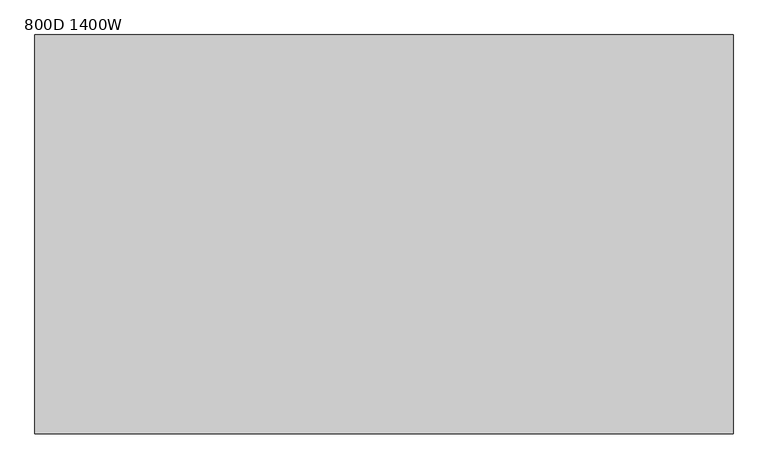
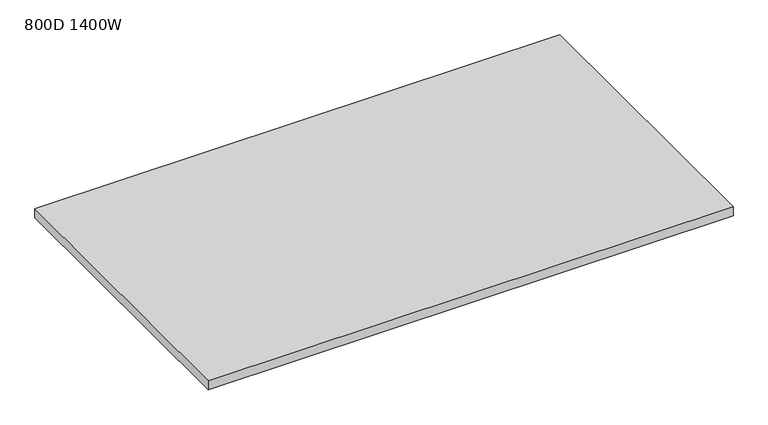
"""IFC4 building model written with IfcOpenShell, lengths in millimetres: furniture geometry, 800D 1400W."""

import ifcopenshell
import ifcopenshell.guid

model = None  # the IFC model being written
_history = None  # IfcOwnerHistory: only IFC2X3 demands one
_inside = {}  # id of a spatial element -> (the spatial element, [elements in it])
_under = {}  # id of a project, library or spatial element -> (it, [spatial elements below it])
_declared = {}  # id of a project -> (the project, [libraries it declares])
_typed = {}  # id of a type object -> (the type object, [elements of that type])
_made_of = {}  # id of a material, layer set ... -> (it, [elements and type objects made of it])


def new_model(schema):
    """Start an empty IFC model of exactly this schema.

    Asked for "IFC4X3", IfcOpenShell would pick the latest addendum, in which some entities
    have other attributes; the version numbers below select the first issue.
    IFC2X3 requires an IfcOwnerHistory on every rooted entity: one is made here for all.
    """
    global model, _history
    if schema == "IFC4X3":
        model = ifcopenshell.file(schema_version=(4, 3, 0, 0))
    else:
        model = ifcopenshell.file(schema=schema)
    _inside.clear()
    _under.clear()
    _declared.clear()
    _typed.clear()
    _made_of.clear()
    _history = None
    if model.schema == "IFC2X3":
        org = make("IfcOrganization", Name="unknown")
        user = make(
            "IfcPersonAndOrganization",
            ThePerson=make("IfcPerson", FamilyName="unknown"),
            TheOrganization=org,
        )
        app = make(
            "IfcApplication",
            ApplicationDeveloper=org,
            Version="unknown",
            ApplicationFullName="unknown",
            ApplicationIdentifier="unknown",
        )
        _history = make(
            "IfcOwnerHistory",
            OwningUser=user,
            OwningApplication=app,
            ChangeAction="ADDED",
            CreationDate=0,
        )
    return model


def make(cls, **values):
    """One entity of the class cls with the attributes given. An attribute that is None is left unset."""
    return model.create_entity(
        cls, **{name: value for name, value in values.items() if value is not None}
    )


def rooted(cls, **values):
    """An entity with a GlobalId (a new one), such as an element, a storey or a relation."""
    return make(cls, GlobalId=ifcopenshell.guid.new(), OwnerHistory=_history, **values)


def si_unit(unit_type, name, prefix=None):
    """IfcSIUnit, for example si_unit("LENGTHUNIT", "METRE", prefix="MILLI")."""
    return make("IfcSIUnit", UnitType=unit_type, Prefix=prefix, Name=name)


def assignment(units):
    """IfcUnitAssignment: the units of a project."""
    return None if units is None else make("IfcUnitAssignment", Units=units)


def point(xyz):
    """IfcCartesianPoint."""
    return None if xyz is None else make("IfcCartesianPoint", Coordinates=xyz)


def direction(xyz):
    """IfcDirection."""
    return None if xyz is None else make("IfcDirection", DirectionRatios=xyz)


def frame(location, z_axis=None, x_axis=None):
    """IfcAxis2Placement3D, a coordinate frame: its origin and axes. An axis left out is left unset."""
    return make(
        "IfcAxis2Placement3D",
        Location=point(location),
        Axis=direction(z_axis),
        RefDirection=direction(x_axis),
    )


def origin():
    """The frame at (0, 0, 0) with its axes left unset."""
    return frame((0.0, 0.0, 0.0))


def place(relative_to, where):
    """IfcLocalPlacement: puts the frame where relative to a parent placement (None: the world)."""
    return make(
        "IfcLocalPlacement", PlacementRelTo=relative_to, RelativePlacement=where
    )


def context(
    kind, dimensions, precision=None, world=None, true_north=None, identifier=None
):
    """IfcGeometricRepresentationContext, for example the 3D "Model" context."""
    return make(
        "IfcGeometricRepresentationContext",
        ContextIdentifier=identifier,
        ContextType=kind,
        CoordinateSpaceDimension=dimensions,
        Precision=precision,
        WorldCoordinateSystem=world,
        TrueNorth=true_north,
    )


def project(units=None, contexts=None):
    """IfcProject with its units and contexts."""
    return rooted(
        "IfcProject",
        Name="project",
        RepresentationContexts=contexts,
        UnitsInContext=assignment(units),
    )


def spatial(cls, under=None, at=None, **own):
    """A site, building, storey or space (cls), placed at a placement, below another one or the project."""
    s = rooted(cls, ObjectPlacement=at, **own)
    if under is not None:
        _under.setdefault(under.id(), (under, []))[1].append(s)
    return s


def polyline(points):
    """IfcPolyline through the points."""
    return make("IfcPolyline", Points=[point(p) for p in points])


def outline(outer, holes=None, kind="AREA"):
    """IfcArbitraryClosedProfileDef: a profile drawn as a closed curve; with holes, ...WithVoids."""
    if holes is None:
        return make("IfcArbitraryClosedProfileDef", ProfileType=kind, OuterCurve=outer)
    return make(
        "IfcArbitraryProfileDefWithVoids",
        ProfileType=kind,
        OuterCurve=outer,
        InnerCurves=holes,
    )


def extrude(swept, where, along, depth):
    """IfcExtrudedAreaSolid: the profile swept, set in the frame where, extruded along a direction by depth."""
    return make(
        "IfcExtrudedAreaSolid",
        SweptArea=swept,
        Position=where,
        ExtrudedDirection=direction(along),
        Depth=depth,
    )


def shape(context_of_items, identifier, shape_type, items):
    """IfcShapeRepresentation: the items that make up one representation, for example the "Body"."""
    return make(
        "IfcShapeRepresentation",
        ContextOfItems=context_of_items,
        RepresentationIdentifier=identifier,
        RepresentationType=shape_type,
        Items=items,
    )


def source(mapping_origin, context_of_items, identifier, shape_type, items):
    """IfcRepresentationMap: a shape defined once, which mapped items show again and again."""
    return make(
        "IfcRepresentationMap",
        MappingOrigin=mapping_origin,
        MappedRepresentation=shape(context_of_items, identifier, shape_type, items),
    )


def transform(
    local_origin,
    x_axis=None,
    y_axis=None,
    z_axis=None,
    scale=None,
    scale2=None,
    scale3=None,
    uniform=True,
):
    """IfcCartesianTransformationOperator3D, or its non-uniform kind. x_axis, y_axis, z_axis: its Axis1, 2, 3."""
    if uniform:
        return make(
            "IfcCartesianTransformationOperator3D",
            Axis1=direction(x_axis),
            Axis2=direction(y_axis),
            LocalOrigin=point(local_origin),
            Scale=scale,
            Axis3=direction(z_axis),
        )
    return make(
        "IfcCartesianTransformationOperator3DnonUniform",
        Axis1=direction(x_axis),
        Axis2=direction(y_axis),
        LocalOrigin=point(local_origin),
        Scale=scale,
        Axis3=direction(z_axis),
        Scale2=scale2,
        Scale3=scale3,
    )


def mapped(mapping_source, mapping_target):
    """IfcMappedItem: shows the shape of a source again, moved by a transform."""
    return make(
        "IfcMappedItem", MappingSource=mapping_source, MappingTarget=mapping_target
    )


def made_of(thing, what):
    """Note that an element or type object is made of a material, layer set ...; save() writes the relation."""
    if what is not None:
        _made_of.setdefault(what.id(), (what, []))[1].append(thing)
    return thing


def element(
    cls,
    number,
    at=None,
    inside=None,
    cuts=None,
    type_object=None,
    material=None,
    context=None,
    identifier="Body",
    shape_type=None,
    held_by="IfcProductDefinitionShape",
    body=None,
    shapes=None,
    **own,
):
    """One element of the class cls, such as IfcWall. Its Tag is "e" and its number.

    at: its placement. inside: the storey or other place that contains it. cuts: it is an
    opening in that element (IfcRelVoidsElement). A single representation is given by context,
    identifier, shape_type and body (its items); several are given by shapes. held_by: the class
    of the entity that holds the representations. save() writes the other relations.
    """
    e = rooted(cls, Tag="e%d" % number, ObjectPlacement=at, **own)
    if body is not None:
        shapes = [shape(context, identifier, shape_type, body)]
    if shapes is not None:
        e.Representation = make(held_by, Representations=shapes)
    if inside is not None:
        _inside.setdefault(inside.id(), (inside, []))[1].append(e)
    if cuts is not None:
        rooted(
            "IfcRelVoidsElement", RelatingBuildingElement=cuts, RelatedOpeningElement=e
        )
    if type_object is not None:
        _typed.setdefault(type_object.id(), (type_object, []))[1].append(e)
    return made_of(e, material)


def aggregate(whole, parts):
    """IfcRelAggregates: a whole, such as a stair, and the parts it consists of."""
    return rooted("IfcRelAggregates", RelatingObject=whole, RelatedObjects=parts)


def save(model, path):
    """Write the relations noted so far, then the file.

    IfcRelAggregates (storeys below a building ...), IfcRelContainedInSpatialStructure (elements
    in a storey), IfcRelDefinesByType, IfcRelAssociatesMaterial and IfcRelDeclares: one each for
    every whole, place, type object, material and project.
    """
    for whole, parts in _under.values():
        aggregate(whole, parts)
    for where, things in _inside.values():
        rooted(
            "IfcRelContainedInSpatialStructure",
            RelatedElements=things,
            RelatingStructure=where,
        )
    for kind, things in _typed.values():
        rooted("IfcRelDefinesByType", RelatedObjects=things, RelatingType=kind)
    for what, things in _made_of.values():
        rooted("IfcRelAssociatesMaterial", RelatedObjects=things, RelatingMaterial=what)
    for by, libraries in _declared.values():
        rooted("IfcRelDeclares", RelatingContext=by, RelatedDefinitions=libraries)
    model.write(path)


def furniture_800d_1400w_938c4f48(model_context):
    return source(origin(), model_context, "Body", "SweptSolid", [
        extrude(outline(polyline([(-700.0, 800.0), (700.0, 800.0), (700.0, 0.0), (-700.0, 0.0), (-700.0, 800.0)])), frame((0.0, 0.0, 715.0), z_axis=(0.0, 0.0, 1.0), x_axis=(1.0, 0.0, 0.0)), (0.0, 0.0, 1.0), 25.0),
    ])


if __name__ == "__main__":
    model = new_model("IFC4")
    model_context = context("Model", 3, world=origin())
    ifc_project = project(units=[si_unit("LENGTHUNIT", "METRE", prefix="MILLI")], contexts=[model_context])
    site = spatial("IfcSite", under=ifc_project)
    building = spatial("IfcBuilding", under=site)
    placement = place(None, origin())
    furniture_800d_1400w_shape = furniture_800d_1400w_938c4f48(model_context)
    element("IfcFurniture", 1, ObjectType="800D 1400W", at=placement, inside=building, context=model_context, shape_type="MappedRepresentation", body=[
        mapped(furniture_800d_1400w_shape, transform((0.0, 0.0, 0.0), x_axis=(1.0, 0.0, 0.0), y_axis=(0.0, 1.0, 0.0), z_axis=(0.0, 0.0, 1.0))),
    ])
    save(model, "model.ifc")
